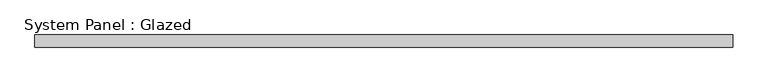
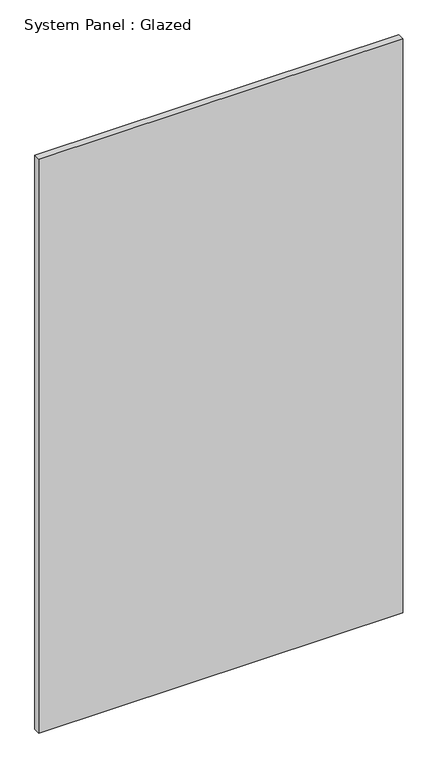
"""IFC4 building model written with IfcOpenShell, lengths in millimetres: plate geometry, System Panel : Glazed."""

from ifc_helpers import new_model, si_unit, origin, origin_with_axes, place, context, project, spatial, polyline, outline, extrude, source, transform, mapped, element, save


def system_panel_glazed_d8738711(model_context):
    return source(origin(), model_context, "Body", "SweptSolid", [
        extrude(outline(polyline([(697.2278333, 24.5), (-697.2278333, 24.5), (-697.2278333, 49.5), (697.2278333, 49.5), (697.2278333, 24.5)])), origin_with_axes(), (0.0, 0.0, 1.0), 2325.0),
    ])


if __name__ == "__main__":
    model = new_model("IFC4")
    model_context = context("Model", 3, world=origin())
    ifc_project = project(units=[si_unit("LENGTHUNIT", "METRE", prefix="MILLI")], contexts=[model_context])
    site = spatial("IfcSite", under=ifc_project)
    building = spatial("IfcBuilding", under=site)
    placement = place(None, origin())
    system_panel_glazed_shape = system_panel_glazed_d8738711(model_context)
    element("IfcPlate", 1, ObjectType="System Panel : Glazed", at=placement, inside=building, context=model_context, shape_type="MappedRepresentation", body=[
        mapped(system_panel_glazed_shape, transform((0.0, 0.0, 0.0), x_axis=(1.0, 0.0, 0.0), y_axis=(0.0, 1.0, 0.0), z_axis=(0.0, 0.0, 1.0))),
    ])
    save(model, "model.ifc")
